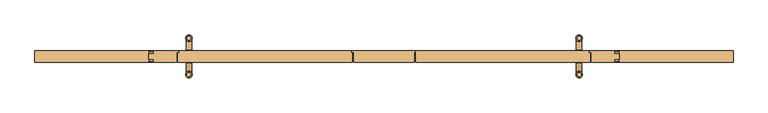
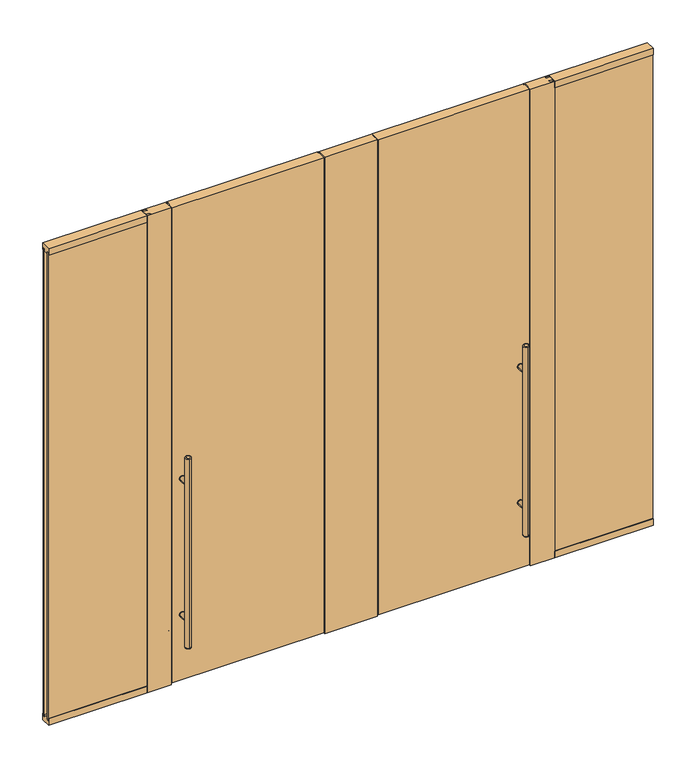
"""IFC4 building model written with IfcOpenShell, lengths in millimetres: door geometry."""

from ifc_helpers import new_model, si_unit, point, frame, frame_2d, origin, origin_with_axes, place, context, project, spatial, polyline, circle_curve, ellipse_curve, trimmed, segment, composite_curve, outline, extrude, faceted_brep, source, transform, mapped, element, save
from ifc_brep_helpers import plane_surface, cylinder_surface, revolved_surface, advanced_brep


def door_2f384575(model_context):
    return source(origin(), model_context, "Body", "SolidModel", [
        extrude(outline(composite_curve([segment(trimmed(circle_curve(frame_2d((428.625, 1022.35)), 15.875), [point((428.625, 1038.225))], [point((428.625, 1006.475))], False, "CARTESIAN"), True, "CONTINUOUS"), segment(trimmed(circle_curve(frame_2d((428.625, 1022.35)), 15.875), [point((428.625, 1006.475))], [point((428.625, 1038.225))], False, "CARTESIAN"), True, "CONTINUOUS")], self_intersect=False)), frame((0.0, 30.1625, 0.0), z_axis=(0.0, 1.0, 0.0), x_axis=(0.0, 0.0, 1.0)), (0.0, 0.0, 1.0), 3.175),
        extrude(outline(composite_curve([segment(trimmed(circle_curve(frame_2d((1298.575, 1022.35)), 15.875), [point((1298.575, 1006.475))], [point((1298.575, 1038.225))], False, "CARTESIAN"), True, "CONTINUOUS"), segment(trimmed(circle_curve(frame_2d((1298.575, 1022.35)), 15.875), [point((1298.575, 1038.225))], [point((1298.575, 1006.475))], False, "CARTESIAN"), True, "CONTINUOUS")], self_intersect=False)), frame((0.0, 30.1625, 0.0), z_axis=(0.0, 1.0, 0.0), x_axis=(0.0, 0.0, 1.0)), (0.0, 0.0, 1.0), 3.175),
        extrude(outline(composite_curve([segment(trimmed(circle_curve(frame_2d((428.625, 1022.35)), 15.875), [point((428.625, 1038.225))], [point((428.625, 1006.475))], False, "CARTESIAN"), True, "CONTINUOUS"), segment(trimmed(circle_curve(frame_2d((428.625, 1022.35)), 15.875), [point((428.625, 1006.475))], [point((428.625, 1038.225))], False, "CARTESIAN"), True, "CONTINUOUS")], self_intersect=False)), frame((0.0, -33.3375, 0.0), z_axis=(0.0, 1.0, 0.0), x_axis=(0.0, 0.0, 1.0)), (0.0, 0.0, 1.0), 3.175),
        extrude(outline(composite_curve([segment(trimmed(circle_curve(frame_2d((1298.575, 1022.35)), 15.875), [point((1298.575, 1038.225))], [point((1298.575, 1006.475))], False, "CARTESIAN"), True, "CONTINUOUS"), segment(trimmed(circle_curve(frame_2d((1298.575, 1022.35)), 15.875), [point((1298.575, 1006.475))], [point((1298.575, 1038.225))], False, "CARTESIAN"), True, "CONTINUOUS")], self_intersect=False)), frame((0.0, -33.3375, 0.0), z_axis=(0.0, 1.0, 0.0), x_axis=(0.0, 0.0, 1.0)), (0.0, 0.0, 1.0), 3.175),
        extrude(outline(composite_curve([segment(trimmed(circle_curve(frame_2d((428.625, 1022.35)), 14.2875), [point((428.625, 1008.0625))], [point((428.625, 1036.6375))], False, "CARTESIAN"), True, "CONTINUOUS"), segment(trimmed(circle_curve(frame_2d((428.625, 1022.35)), 14.2875), [point((428.625, 1036.6375))], [point((428.625, 1008.0625))], False, "CARTESIAN"), True, "CONTINUOUS")], self_intersect=False)), frame((0.0, -95.25, 0.0), z_axis=(0.0, 1.0, 0.0), x_axis=(0.0, 0.0, 1.0)), (0.0, 0.0, 1.0), 65.0875),
        extrude(outline(composite_curve([segment(trimmed(circle_curve(frame_2d((1298.575, 1022.35)), 14.2875), [point((1298.575, 1008.0625))], [point((1298.575, 1036.6375))], False, "CARTESIAN"), True, "CONTINUOUS"), segment(trimmed(circle_curve(frame_2d((1298.575, 1022.35)), 14.2875), [point((1298.575, 1036.6375))], [point((1298.575, 1008.0625))], False, "CARTESIAN"), True, "CONTINUOUS")], self_intersect=False)), frame((0.0, -95.25, 0.0), z_axis=(0.0, 1.0, 0.0), x_axis=(0.0, 0.0, 1.0)), (0.0, 0.0, 1.0), 65.0875),
        advanced_brep(
        [(1022.35, 84.455, 1473.2), (1022.35, 106.045, 1473.2), (1022.35, 106.045, 254.0), (1022.35, 84.455, 254.0), (1022.35, 112.395, 260.35), (1022.35, 78.105, 260.35), (1022.35, 78.105, 1466.85), (1022.35, 112.395, 1466.85)],
        [
            (0, 1, circle_curve(frame((1022.35, 95.25, 1473.2), z_axis=(0.0, 0.0, 1.0), x_axis=(0.0, -1.0, 0.0)), 10.795)),
            (1, 0, circle_curve(frame((1022.35, 95.25, 1473.2), z_axis=(0.0, 0.0, 1.0), x_axis=(0.0, -1.0, 0.0)), 10.795)),
            (2, 3, circle_curve(frame((1022.35, 95.25, 254.0), z_axis=(0.0, 0.0, -1.0), x_axis=(0.0, -1.0, 0.0)), 10.795)),
            (3, 2, circle_curve(frame((1022.35, 95.25, 254.0), z_axis=(0.0, 0.0, -1.0), x_axis=(0.0, -1.0, 0.0)), 10.795)),
            (4, 5, circle_curve(frame((1022.35, 95.25, 260.35), z_axis=(0.0, 0.0, 1.0), x_axis=(0.0, -1.0, 0.0)), 17.145)),
            (5, 6),
            (6, 7, circle_curve(frame((1022.35, 95.25, 1466.85), z_axis=(0.0, 0.0, -1.0), x_axis=(0.0, -1.0, 0.0)), 17.145)),
            (7, 4),
            (5, 4, circle_curve(frame((1022.35, 95.25, 260.35), z_axis=(0.0, 0.0, 1.0), x_axis=(0.0, -1.0, 0.0)), 17.145)),
            (7, 6, circle_curve(frame((1022.35, 95.25, 1466.85), z_axis=(0.0, 0.0, -1.0), x_axis=(0.0, -1.0, 0.0)), 17.145)),
            (2, 4, circle_curve(frame((1022.35, 106.045, 260.35), z_axis=(1.0, 0.0, 0.0), x_axis=(0.0, 1.0, 0.0)), 6.35)),
            (5, 3, circle_curve(frame((1022.35, 84.455, 260.35), z_axis=(1.0, 0.0, 0.0), x_axis=(0.0, -1.0, 0.0)), 6.35)),
            (7, 1, circle_curve(frame((1022.35, 106.045, 1466.85), z_axis=(1.0, 0.0, 0.0), x_axis=(0.0, 1.0, 0.0)), 6.35)),
            (0, 6, circle_curve(frame((1022.35, 84.455, 1466.85), z_axis=(1.0, 0.0, 0.0), x_axis=(0.0, -1.0, 0.0)), 6.35)),
        ],
        [
            plane_surface(frame((1022.35, -112.395, 1473.2), z_axis=(0.0, 0.0, 1.0), x_axis=(1.0, 0.0, 0.0))),
            plane_surface(frame((1022.35, -112.395, 254.0), z_axis=(0.0, 0.0, -1.0), x_axis=(-1.0, 0.0, 0.0))),
            cylinder_surface(frame((1022.35, 95.25, 254.0), z_axis=(0.0, 0.0, 1.0), x_axis=(0.0, -1.0, 0.0)), 17.145),
            revolved_surface(trimmed(ellipse_curve(frame((1022.35, 84.455, 260.35), z_axis=(-1.0, 0.0, 0.0), x_axis=(0.0, -1.0, 0.0)), 6.35, 6.35), [point((1022.35, 84.455, 254.0))], [point((1022.35, 78.105, 260.35))], True, "CARTESIAN"), (1022.35, 95.25, 2082.8), (0.0, 0.0, 1.0)),
            revolved_surface(trimmed(ellipse_curve(frame((1022.35, 84.455, 1466.85), z_axis=(-1.0, 0.0, 0.0), x_axis=(0.0, -1.0, 0.0)), 6.35, 6.35), [point((1022.35, 78.105, 1466.85))], [point((1022.35, 84.455, 1473.2))], True, "CARTESIAN"), (1022.35, 95.25, -355.6), (0.0, 0.0, 1.0)),
        ],
        [
            (0, [[1, 2]]),
            (1, [[3, 4]]),
            (2, [[5, 6, 7, 8]]),
            (2, [[9, -8, 10, -6]]),
            (3, [[11, -9, 12, -3]]),
            (3, [[-11, -4, -12, -5]]),
            (4, [[13, -1, 14, -10]]),
            (4, [[-13, -7, -14, -2]]),
        ],
    ),
        advanced_brep(
        [(1022.35, -106.045, 1473.2), (1022.35, -84.455, 1473.2), (1022.35, -84.455, 254.0), (1022.35, -106.045, 254.0), (1022.35, -78.105, 260.35), (1022.35, -112.395, 260.35), (1022.35, -112.395, 1466.85), (1022.35, -78.105, 1466.85)],
        [
            (0, 1, circle_curve(frame((1022.35, -95.25, 1473.2), z_axis=(0.0, 0.0, 1.0), x_axis=(0.0, 1.0, 0.0)), 10.795)),
            (1, 0, circle_curve(frame((1022.35, -95.25, 1473.2), z_axis=(0.0, 0.0, 1.0), x_axis=(0.0, 1.0, 0.0)), 10.795)),
            (2, 3, circle_curve(frame((1022.35, -95.25, 254.0), z_axis=(0.0, 0.0, -1.0), x_axis=(0.0, 1.0, 0.0)), 10.795)),
            (3, 2, circle_curve(frame((1022.35, -95.25, 254.0), z_axis=(0.0, 0.0, -1.0), x_axis=(0.0, 1.0, 0.0)), 10.795)),
            (4, 5, circle_curve(frame((1022.35, -95.25, 260.35), z_axis=(0.0, 0.0, 1.0), x_axis=(0.0, -1.0, 0.0)), 17.145)),
            (5, 6),
            (6, 7, circle_curve(frame((1022.35, -95.25, 1466.85), z_axis=(0.0, 0.0, -1.0), x_axis=(0.0, -1.0, 0.0)), 17.145)),
            (7, 4),
            (5, 4, circle_curve(frame((1022.35, -95.25, 260.35), z_axis=(0.0, 0.0, 1.0), x_axis=(0.0, -1.0, 0.0)), 17.145)),
            (7, 6, circle_curve(frame((1022.35, -95.25, 1466.85), z_axis=(0.0, 0.0, -1.0), x_axis=(0.0, -1.0, 0.0)), 17.145)),
            (5, 3, circle_curve(frame((1022.35, -106.045, 260.35), z_axis=(1.0, 0.0, 0.0), x_axis=(0.0, -1.0, 0.0)), 6.35)),
            (2, 4, circle_curve(frame((1022.35, -84.455, 260.35), z_axis=(1.0, 0.0, 0.0), x_axis=(0.0, 1.0, 0.0)), 6.35)),
            (0, 6, circle_curve(frame((1022.35, -106.045, 1466.85), z_axis=(1.0, 0.0, 0.0), x_axis=(0.0, -1.0, 0.0)), 6.35)),
            (7, 1, circle_curve(frame((1022.35, -84.455, 1466.85), z_axis=(1.0, 0.0, 0.0), x_axis=(0.0, 1.0, 0.0)), 6.35)),
        ],
        [
            plane_surface(frame((1022.35, -112.395, 1473.2), z_axis=(0.0, 0.0, 1.0), x_axis=(1.0, 0.0, 0.0))),
            plane_surface(frame((1022.35, -112.395, 254.0), z_axis=(0.0, 0.0, -1.0), x_axis=(-1.0, 0.0, 0.0))),
            cylinder_surface(frame((1022.35, -95.25, 254.0), z_axis=(0.0, 0.0, 1.0), x_axis=(0.0, -1.0, 0.0)), 17.145),
            revolved_surface(trimmed(ellipse_curve(frame((1022.35, -84.455, 260.35), z_axis=(-1.0, 0.0, 0.0), x_axis=(0.0, 1.0, 0.0)), 6.35, 6.35), [point((1022.35, -78.105, 260.35))], [point((1022.35, -84.455, 254.0))], True, "CARTESIAN"), (1022.35, -95.25, 2082.8), (0.0, 0.0, -1.0)),
            revolved_surface(trimmed(ellipse_curve(frame((1022.35, -84.455, 1466.85), z_axis=(-1.0, 0.0, 0.0), x_axis=(0.0, 1.0, 0.0)), 6.35, 6.35), [point((1022.35, -84.455, 1473.2))], [point((1022.35, -78.105, 1466.85))], True, "CARTESIAN"), (1022.35, -95.25, -355.6), (0.0, 0.0, -1.0)),
        ],
        [
            (0, [[1, 2]]),
            (1, [[3, 4]]),
            (2, [[5, 6, 7, 8]]),
            (2, [[9, -8, 10, -6]]),
            (3, [[11, -3, 12, -9]]),
            (3, [[-11, -5, -12, -4]]),
            (4, [[13, -10, 14, -1]]),
            (4, [[-13, -2, -14, -7]]),
        ],
    ),
        extrude(outline(composite_curve([segment(trimmed(circle_curve(frame_2d((428.625, 1022.35)), 14.2875), [point((428.625, 1008.0625))], [point((428.625, 1036.6375))], False, "CARTESIAN"), True, "CONTINUOUS"), segment(trimmed(circle_curve(frame_2d((428.625, 1022.35)), 14.2875), [point((428.625, 1036.6375))], [point((428.625, 1008.0625))], False, "CARTESIAN"), True, "CONTINUOUS")], self_intersect=False)), frame((0.0, 30.1625, 0.0), z_axis=(0.0, 1.0, 0.0), x_axis=(0.0, 0.0, 1.0)), (0.0, 0.0, 1.0), 65.0875),
        extrude(outline(composite_curve([segment(trimmed(circle_curve(frame_2d((1298.575, 1022.35)), 14.2875), [point((1298.575, 1008.0625))], [point((1298.575, 1036.6375))], False, "CARTESIAN"), True, "CONTINUOUS"), segment(trimmed(circle_curve(frame_2d((1298.575, 1022.35)), 14.2875), [point((1298.575, 1036.6375))], [point((1298.575, 1008.0625))], False, "CARTESIAN"), True, "CONTINUOUS")], self_intersect=False)), frame((0.0, 30.1625, 0.0), z_axis=(0.0, 1.0, 0.0), x_axis=(0.0, 0.0, 1.0)), (0.0, 0.0, 1.0), 65.0875),
        extrude(outline(composite_curve([segment(trimmed(circle_curve(frame_2d((428.625, -1022.35)), 15.875), [point((428.625, -1038.225))], [point((428.625, -1006.475))], False, "CARTESIAN"), True, "CONTINUOUS"), segment(trimmed(circle_curve(frame_2d((428.625, -1022.35)), 15.875), [point((428.625, -1006.475))], [point((428.625, -1038.225))], False, "CARTESIAN"), True, "CONTINUOUS")], self_intersect=False)), frame((0.0, 30.1625, 0.0), z_axis=(0.0, 1.0, 0.0), x_axis=(0.0, 0.0, 1.0)), (0.0, 0.0, 1.0), 3.175),
        extrude(outline(composite_curve([segment(trimmed(circle_curve(frame_2d((1298.575, -1022.35)), 15.875), [point((1298.575, -1006.475))], [point((1298.575, -1038.225))], False, "CARTESIAN"), True, "CONTINUOUS"), segment(trimmed(circle_curve(frame_2d((1298.575, -1022.35)), 15.875), [point((1298.575, -1038.225))], [point((1298.575, -1006.475))], False, "CARTESIAN"), True, "CONTINUOUS")], self_intersect=False)), frame((0.0, 30.1625, 0.0), z_axis=(0.0, 1.0, 0.0), x_axis=(0.0, 0.0, 1.0)), (0.0, 0.0, 1.0), 3.175),
        extrude(outline(composite_curve([segment(trimmed(circle_curve(frame_2d((428.625, -1022.35)), 15.875), [point((428.625, -1038.225))], [point((428.625, -1006.475))], False, "CARTESIAN"), True, "CONTINUOUS"), segment(trimmed(circle_curve(frame_2d((428.625, -1022.35)), 15.875), [point((428.625, -1006.475))], [point((428.625, -1038.225))], False, "CARTESIAN"), True, "CONTINUOUS")], self_intersect=False)), frame((0.0, -33.3375, 0.0), z_axis=(0.0, 1.0, 0.0), x_axis=(0.0, 0.0, 1.0)), (0.0, 0.0, 1.0), 3.175),
        extrude(outline(composite_curve([segment(trimmed(circle_curve(frame_2d((1298.575, -1022.35)), 15.875), [point((1298.575, -1038.225))], [point((1298.575, -1006.475))], False, "CARTESIAN"), True, "CONTINUOUS"), segment(trimmed(circle_curve(frame_2d((1298.575, -1022.35)), 15.875), [point((1298.575, -1006.475))], [point((1298.575, -1038.225))], False, "CARTESIAN"), True, "CONTINUOUS")], self_intersect=False)), frame((0.0, -33.3375, 0.0), z_axis=(0.0, 1.0, 0.0), x_axis=(0.0, 0.0, 1.0)), (0.0, 0.0, 1.0), 3.175),
        extrude(outline(composite_curve([segment(trimmed(circle_curve(frame_2d((428.625, -1022.35)), 14.2875), [point((428.625, -1008.0625))], [point((428.625, -1036.6375))], False, "CARTESIAN"), True, "CONTINUOUS"), segment(trimmed(circle_curve(frame_2d((428.625, -1022.35)), 14.2875), [point((428.625, -1036.6375))], [point((428.625, -1008.0625))], False, "CARTESIAN"), True, "CONTINUOUS")], self_intersect=False)), frame((0.0, -95.25, 0.0), z_axis=(0.0, 1.0, 0.0), x_axis=(0.0, 0.0, 1.0)), (0.0, 0.0, 1.0), 65.0875),
        extrude(outline(composite_curve([segment(trimmed(circle_curve(frame_2d((1298.575, -1022.35)), 14.2875), [point((1298.575, -1008.0625))], [point((1298.575, -1036.6375))], False, "CARTESIAN"), True, "CONTINUOUS"), segment(trimmed(circle_curve(frame_2d((1298.575, -1022.35)), 14.2875), [point((1298.575, -1036.6375))], [point((1298.575, -1008.0625))], False, "CARTESIAN"), True, "CONTINUOUS")], self_intersect=False)), frame((0.0, -95.25, 0.0), z_axis=(0.0, 1.0, 0.0), x_axis=(0.0, 0.0, 1.0)), (0.0, 0.0, 1.0), 65.0875),
        advanced_brep(
        [(-1022.35, 84.455, 1473.2), (-1022.35, 106.045, 1473.2), (-1022.35, 106.045, 254.0), (-1022.35, 84.455, 254.0), (-1022.35, 112.395, 260.35), (-1022.35, 112.395, 1466.85), (-1022.35, 78.105, 1466.85), (-1022.35, 78.105, 260.35)],
        [
            (0, 1, circle_curve(frame((-1022.35, 95.25, 1473.2), z_axis=(0.0, 0.0, 1.0), x_axis=(0.0, -1.0, 0.0)), 10.795)),
            (1, 0, circle_curve(frame((-1022.35, 95.25, 1473.2), z_axis=(0.0, 0.0, 1.0), x_axis=(0.0, -1.0, 0.0)), 10.795)),
            (2, 3, circle_curve(frame((-1022.35, 95.25, 254.0), z_axis=(0.0, 0.0, -1.0), x_axis=(0.0, -1.0, 0.0)), 10.795)),
            (3, 2, circle_curve(frame((-1022.35, 95.25, 254.0), z_axis=(0.0, 0.0, -1.0), x_axis=(0.0, -1.0, 0.0)), 10.795)),
            (4, 5),
            (5, 6, circle_curve(frame((-1022.35, 95.25, 1466.85), z_axis=(0.0, 0.0, -1.0), x_axis=(0.0, -1.0, 0.0)), 17.145)),
            (6, 7),
            (7, 4, circle_curve(frame((-1022.35, 95.25, 260.35), z_axis=(0.0, 0.0, 1.0), x_axis=(0.0, -1.0, 0.0)), 17.145)),
            (6, 5, circle_curve(frame((-1022.35, 95.25, 1466.85), z_axis=(0.0, 0.0, -1.0), x_axis=(0.0, -1.0, 0.0)), 17.145)),
            (4, 7, circle_curve(frame((-1022.35, 95.25, 260.35), z_axis=(0.0, 0.0, 1.0), x_axis=(0.0, -1.0, 0.0)), 17.145)),
            (3, 7, circle_curve(frame((-1022.35, 84.455, 260.35), z_axis=(-1.0, 0.0, 0.0), x_axis=(0.0, -1.0, 0.0)), 6.35)),
            (4, 2, circle_curve(frame((-1022.35, 106.045, 260.35), z_axis=(-1.0, 0.0, 0.0), x_axis=(0.0, 1.0, 0.0)), 6.35)),
            (6, 0, circle_curve(frame((-1022.35, 84.455, 1466.85), z_axis=(-1.0, 0.0, 0.0), x_axis=(0.0, -1.0, 0.0)), 6.35)),
            (1, 5, circle_curve(frame((-1022.35, 106.045, 1466.85), z_axis=(-1.0, 0.0, 0.0), x_axis=(0.0, 1.0, 0.0)), 6.35)),
        ],
        [
            plane_surface(frame((-1022.35, -112.395, 1473.2), z_axis=(0.0, 0.0, 1.0), x_axis=(-1.0, 0.0, 0.0))),
            plane_surface(frame((-1022.35, -112.395, 254.0), z_axis=(0.0, 0.0, -1.0), x_axis=(1.0, 0.0, 0.0))),
            cylinder_surface(frame((-1022.35, 95.25, 254.0), z_axis=(0.0, 0.0, 1.0), x_axis=(0.0, -1.0, 0.0)), 17.145),
            revolved_surface(trimmed(ellipse_curve(frame((-1022.35, 84.455, 260.35), z_axis=(-1.0, 0.0, 0.0), x_axis=(0.0, -1.0, 0.0)), 6.35, 6.35), [point((-1022.35, 84.455, 254.0))], [point((-1022.35, 78.105, 260.35))], True, "CARTESIAN"), (-1022.35, 95.25, 2082.8), (0.0, 0.0, 1.0)),
            revolved_surface(trimmed(ellipse_curve(frame((-1022.35, 84.455, 1466.85), z_axis=(-1.0, 0.0, 0.0), x_axis=(0.0, -1.0, 0.0)), 6.35, 6.35), [point((-1022.35, 78.105, 1466.85))], [point((-1022.35, 84.455, 1473.2))], True, "CARTESIAN"), (-1022.35, 95.25, -355.6), (0.0, 0.0, 1.0)),
        ],
        [
            (0, [[1, 2]]),
            (1, [[3, 4]]),
            (2, [[5, 6, 7, 8]]),
            (2, [[-7, 9, -5, 10]]),
            (3, [[-4, 11, -10, 12]]),
            (3, [[-8, -11, -3, -12]]),
            (4, [[-9, 13, -2, 14]]),
            (4, [[-1, -13, -6, -14]]),
        ],
    ),
        advanced_brep(
        [(-1022.35, -106.045, 1473.2), (-1022.35, -84.455, 1473.2), (-1022.35, -84.455, 254.0), (-1022.35, -106.045, 254.0), (-1022.35, -78.105, 260.35), (-1022.35, -78.105, 1466.85), (-1022.35, -112.395, 1466.85), (-1022.35, -112.395, 260.35)],
        [
            (0, 1, circle_curve(frame((-1022.35, -95.25, 1473.2), z_axis=(0.0, 0.0, 1.0), x_axis=(0.0, 1.0, 0.0)), 10.795)),
            (1, 0, circle_curve(frame((-1022.35, -95.25, 1473.2), z_axis=(0.0, 0.0, 1.0), x_axis=(0.0, 1.0, 0.0)), 10.795)),
            (2, 3, circle_curve(frame((-1022.35, -95.25, 254.0), z_axis=(0.0, 0.0, -1.0), x_axis=(0.0, 1.0, 0.0)), 10.795)),
            (3, 2, circle_curve(frame((-1022.35, -95.25, 254.0), z_axis=(0.0, 0.0, -1.0), x_axis=(0.0, 1.0, 0.0)), 10.795)),
            (4, 5),
            (5, 6, circle_curve(frame((-1022.35, -95.25, 1466.85), z_axis=(0.0, 0.0, -1.0), x_axis=(0.0, -1.0, 0.0)), 17.145)),
            (6, 7),
            (7, 4, circle_curve(frame((-1022.35, -95.25, 260.35), z_axis=(0.0, 0.0, 1.0), x_axis=(0.0, -1.0, 0.0)), 17.145)),
            (6, 5, circle_curve(frame((-1022.35, -95.25, 1466.85), z_axis=(0.0, 0.0, -1.0), x_axis=(0.0, -1.0, 0.0)), 17.145)),
            (4, 7, circle_curve(frame((-1022.35, -95.25, 260.35), z_axis=(0.0, 0.0, 1.0), x_axis=(0.0, -1.0, 0.0)), 17.145)),
            (4, 2, circle_curve(frame((-1022.35, -84.455, 260.35), z_axis=(-1.0, 0.0, 0.0), x_axis=(0.0, 1.0, 0.0)), 6.35)),
            (3, 7, circle_curve(frame((-1022.35, -106.045, 260.35), z_axis=(-1.0, 0.0, 0.0), x_axis=(0.0, -1.0, 0.0)), 6.35)),
            (1, 5, circle_curve(frame((-1022.35, -84.455, 1466.85), z_axis=(-1.0, 0.0, 0.0), x_axis=(0.0, 1.0, 0.0)), 6.35)),
            (6, 0, circle_curve(frame((-1022.35, -106.045, 1466.85), z_axis=(-1.0, 0.0, 0.0), x_axis=(0.0, -1.0, 0.0)), 6.35)),
        ],
        [
            plane_surface(frame((-1022.35, -112.395, 1473.2), z_axis=(0.0, 0.0, 1.0), x_axis=(-1.0, 0.0, 0.0))),
            plane_surface(frame((-1022.35, -112.395, 254.0), z_axis=(0.0, 0.0, -1.0), x_axis=(1.0, 0.0, 0.0))),
            cylinder_surface(frame((-1022.35, -95.25, 254.0), z_axis=(0.0, 0.0, 1.0), x_axis=(0.0, -1.0, 0.0)), 17.145),
            revolved_surface(trimmed(ellipse_curve(frame((-1022.35, -84.455, 260.35), z_axis=(-1.0, 0.0, 0.0), x_axis=(0.0, 1.0, 0.0)), 6.35, 6.35), [point((-1022.35, -78.105, 260.35))], [point((-1022.35, -84.455, 254.0))], True, "CARTESIAN"), (-1022.35, -95.25, 2082.8), (0.0, 0.0, -1.0)),
            revolved_surface(trimmed(ellipse_curve(frame((-1022.35, -84.455, 1466.85), z_axis=(-1.0, 0.0, 0.0), x_axis=(0.0, 1.0, 0.0)), 6.35, 6.35), [point((-1022.35, -84.455, 1473.2))], [point((-1022.35, -78.105, 1466.85))], True, "CARTESIAN"), (-1022.35, -95.25, -355.6), (0.0, 0.0, -1.0)),
        ],
        [
            (0, [[1, 2]]),
            (1, [[3, 4]]),
            (2, [[5, 6, 7, 8]]),
            (2, [[-7, 9, -5, 10]]),
            (3, [[-10, 11, -4, 12]]),
            (3, [[-3, -11, -8, -12]]),
            (4, [[-2, 13, -9, 14]]),
            (4, [[-6, -13, -1, -14]]),
        ],
    ),
        extrude(outline(composite_curve([segment(trimmed(circle_curve(frame_2d((428.625, -1022.35)), 14.2875), [point((428.625, -1008.0625))], [point((428.625, -1036.6375))], False, "CARTESIAN"), True, "CONTINUOUS"), segment(trimmed(circle_curve(frame_2d((428.625, -1022.35)), 14.2875), [point((428.625, -1036.6375))], [point((428.625, -1008.0625))], False, "CARTESIAN"), True, "CONTINUOUS")], self_intersect=False)), frame((0.0, 30.1625, 0.0), z_axis=(0.0, 1.0, 0.0), x_axis=(0.0, 0.0, 1.0)), (0.0, 0.0, 1.0), 65.0875),
        extrude(outline(composite_curve([segment(trimmed(circle_curve(frame_2d((1298.575, -1022.35)), 14.2875), [point((1298.575, -1008.0625))], [point((1298.575, -1036.6375))], False, "CARTESIAN"), True, "CONTINUOUS"), segment(trimmed(circle_curve(frame_2d((1298.575, -1022.35)), 14.2875), [point((1298.575, -1036.6375))], [point((1298.575, -1008.0625))], False, "CARTESIAN"), True, "CONTINUOUS")], self_intersect=False)), frame((0.0, 30.1625, 0.0), z_axis=(0.0, 1.0, 0.0), x_axis=(0.0, 0.0, 1.0)), (0.0, 0.0, 1.0), 65.0875),
        extrude(outline(polyline([(-1828.8, -14.2875), (-1206.5, -14.2875), (-1206.5, -26.9875), (-1828.8, -26.9875), (-1828.8, -14.2875)])), frame((0.0, 0.0, 28.575), z_axis=(0.0, 0.0, 1.0), x_axis=(1.0, 0.0, 0.0)), (0.0, 0.0, 1.0), 2990.85),
        extrude(outline(polyline([(1828.8, -14.2875), (1828.8, -26.9875), (1206.5, -26.9875), (1206.5, -14.2875), (1828.8, -14.2875)])), frame((0.0, 0.0, 28.575), z_axis=(0.0, 0.0, 1.0), x_axis=(1.0, 0.0, 0.0)), (0.0, 0.0, 1.0), 2990.85),
        faceted_brep([(1231.9, -26.9875, 0.0), (1231.9, -30.1625, 0.0), (1085.85, -30.1625, 0.0), (1085.85, 20.6375, 0.0), (1076.325, 20.6375, 0.0), (1076.325, 30.1625, 0.0), (1231.9, 30.1625, 0.0), (1231.9, 26.9875, 0.0), (1206.5, 26.9875, 0.0), (1206.5, 14.2875, 0.0), (1231.9, 14.2875, 0.0), (1231.9, -14.2875, 0.0), (1206.5, -14.2875, 0.0), (1206.5, -26.9875, 0.0), (1231.9, -26.9875, 3048.0), (1206.5, -26.9875, 3048.0), (1206.5, -14.2875, 3048.0), (1231.9, -14.2875, 3048.0), (1231.9, 14.2875, 3048.0), (1206.5, 14.2875, 3048.0), (1206.5, 26.9875, 3048.0), (1231.9, 26.9875, 3048.0), (1231.9, 30.1625, 3048.0), (1076.325, 30.1625, 3006.725), (1079.5, 30.1625, 3006.725), (1079.5, 30.1625, 3009.9), (1076.325, 30.1625, 3009.9), (1076.325, 30.1625, 3048.0), (1076.325, 20.6375, 3006.725), (1076.325, 20.6375, 3009.9), (1076.325, 20.6375, 3048.0), (1079.5, 20.6375, 3009.9), (1079.5, 20.6375, 3006.725), (1085.85, 20.6375, 3048.0), (1085.85, -30.1625, 3048.0), (1231.9, -30.1625, 3048.0)], [[[0, 1, 2, 3, 4, 5, 6, 7, 8, 9, 10, 11, 12, 13]], [[14, 0, 13, 15]], [[15, 13, 12, 16]], [[16, 12, 11, 17]], [[17, 11, 10, 18]], [[18, 10, 9, 19]], [[19, 9, 8, 20]], [[20, 8, 7, 21]], [[21, 7, 6, 22]], [[22, 6, 5, 23, 24, 25, 26, 27]], [[4, 28, 23, 5]], [[27, 26, 29, 30]], [[30, 29, 31, 32, 28, 4, 3, 33]], [[33, 3, 2, 34]], [[34, 2, 1, 35]], [[35, 1, 0, 14]], [[14, 15, 16, 17, 18, 19, 20, 21, 22, 27, 30, 33, 34, 35]], [[31, 29, 26, 25]], [[32, 31, 25, 24]], [[24, 23, 28, 32]]]),
        faceted_brep([(165.1, 17.4625, 3009.9), (165.1, 17.4625, 3019.425), (165.1, 14.2875, 3019.425), (165.1, 14.2875, 3006.725), (165.1, 17.4625, 3006.725), (165.1, 17.4625, 9.525), (165.1, -30.1625, 9.525), (165.1, -30.1625, 3048.0), (165.1, 30.1625, 3048.0), (165.1, 30.1625, 3009.9), (1079.5, -30.1625, 9.525), (1079.5, -30.1625, 3048.0), (174.625, 30.1625, 9.525), (1069.975, 30.1625, 9.525), (1069.975, 17.4625, 9.525), (1079.5, 17.4625, 9.525), (174.625, 17.4625, 9.525), (174.625, 17.4625, 3006.725), (1079.5, 30.1625, 3048.0), (1079.5, 17.4625, 3006.725), (1079.5, 14.2875, 3006.725), (1079.5, 14.2875, 3019.425), (1079.5, 17.4625, 3019.425), (1079.5, 17.4625, 3009.9), (1079.5, 30.1625, 3009.9), (1069.975, 17.4625, 3006.725), (174.625, 30.1625, 3006.725), (1069.975, 30.1625, 3006.725)], [[[0, 1, 2, 3, 4, 5, 6, 7, 8, 9]], [[7, 6, 10, 11]], [[12, 13, 14, 15, 10, 6, 5, 16]], [[5, 4, 17, 16]], [[18, 11, 10, 15, 19, 20, 21, 22, 23, 24]], [[14, 25, 19, 15]], [[12, 26, 27, 13]], [[8, 18, 24, 9]], [[13, 27, 25, 14]], [[16, 17, 26, 12]], [[9, 24, 23, 0]], [[11, 18, 8, 7]], [[20, 19, 25, 27, 26, 17, 4, 3]], [[3, 2, 21, 20]], [[22, 21, 2, 1]], [[1, 0, 23, 22]]]),
        faceted_brep([(-168.275, 30.1625, 0.0), (168.275, 30.1625, 0.0), (168.275, 20.6375, 0.0), (158.75, 20.6375, 0.0), (158.75, -30.1625, 0.0), (-158.75, -30.1625, 0.0), (-158.75, 20.6375, 0.0), (-168.275, 20.6375, 0.0), (-168.275, 30.1625, 3048.0), (-168.275, 20.6375, 3048.0), (-158.75, 20.6375, 3048.0), (-158.75, -30.1625, 3048.0), (158.75, -30.1625, 3048.0), (158.75, 20.6375, 3048.0), (168.275, 20.6375, 3006.725), (165.1, 20.6375, 3006.725), (165.1, 20.6375, 3009.9), (168.275, 20.6375, 3009.9), (168.275, 20.6375, 3048.0), (168.275, 30.1625, 3006.725), (168.275, 30.1625, 3009.9), (168.275, 30.1625, 3048.0), (165.1, 30.1625, 3009.9), (165.1, 30.1625, 3006.725)], [[[0, 1, 2, 3, 4, 5, 6, 7]], [[8, 0, 7, 9]], [[9, 7, 6, 10]], [[10, 6, 5, 11]], [[11, 5, 4, 12]], [[12, 4, 3, 13]], [[13, 3, 2, 14, 15, 16, 17, 18]], [[1, 19, 14, 2]], [[18, 17, 20, 21]], [[21, 20, 22, 23, 19, 1, 0, 8]], [[8, 9, 10, 11, 12, 13, 18, 21]], [[15, 14, 19, 23]], [[16, 15, 23, 22]], [[22, 20, 17, 16]]]),
        extrude(outline(polyline([(-1231.9, 14.2875), (-1206.5, 14.2875), (-1206.5, 26.9875), (-1231.9, 26.9875), (-1231.9, 30.1625), (-1076.325, 30.1625), (-1076.325, 20.6375), (-1085.85, 20.6375), (-1085.85, -30.1625), (-1231.9, -30.1625), (-1231.9, -26.9875), (-1206.5, -26.9875), (-1206.5, -14.2875), (-1231.9, -14.2875), (-1231.9, 14.2875)])), origin_with_axes(), (0.0, 0.0, 1.0), 3048.0),
        faceted_brep([(-165.1, -30.1625, 3048.0), (-165.1, -30.1625, 9.525), (-165.1, 17.4625, 9.525), (-165.1, 17.4625, 3006.725), (-165.1, 14.2875, 3006.725), (-165.1, 14.2875, 3019.425), (-165.1, 17.4625, 3019.425), (-165.1, 17.4625, 3009.9), (-165.1, 30.1625, 3009.9), (-165.1, 30.1625, 3048.0), (-174.625, 17.4625, 9.525), (-174.625, 17.4625, 3006.725), (-174.625, 30.1625, 9.525), (-1079.5, -30.1625, 9.525), (-1079.5, 17.4625, 9.525), (-1069.975, 17.4625, 9.525), (-1069.975, 30.1625, 9.525), (-1079.5, -30.1625, 3048.0), (-1079.5, 17.4625, 3009.9), (-1079.5, 17.4625, 3019.425), (-1079.5, 14.2875, 3019.425), (-1079.5, 14.2875, 3006.725), (-1079.5, 17.4625, 3006.725), (-1079.5, 30.1625, 3048.0), (-1079.5, 30.1625, 3009.9), (-1069.975, 17.4625, 3006.725), (-1069.975, 30.1625, 3006.725), (-174.625, 30.1625, 3006.725)], [[[0, 1, 2, 3, 4, 5, 6, 7, 8, 9]], [[10, 11, 3, 2]], [[12, 10, 2, 1, 13, 14, 15, 16]], [[17, 13, 1, 0]], [[18, 19, 20, 21, 22, 14, 13, 17, 23, 24]], [[14, 22, 25, 15]], [[16, 26, 27, 12]], [[24, 23, 9, 8]], [[12, 27, 11, 10]], [[15, 25, 26, 16]], [[9, 23, 17, 0]], [[7, 18, 24, 8]], [[19, 18, 7, 6]], [[6, 5, 20, 19]], [[21, 20, 5, 4]], [[4, 3, 11, 27, 26, 25, 22, 21]]]),
        extrude(outline(polyline([(-1828.8, 14.2875), (-1828.8, 26.9875), (-1206.5, 26.9875), (-1206.5, 14.2875), (-1828.8, 14.2875)])), frame((0.0, 0.0, 28.575), z_axis=(0.0, 0.0, 1.0), x_axis=(1.0, 0.0, 0.0)), (0.0, 0.0, 1.0), 2990.85),
        extrude(outline(polyline([(1828.8, 14.2875), (1206.5, 14.2875), (1206.5, 26.9875), (1828.8, 26.9875), (1828.8, 14.2875)])), frame((0.0, 0.0, 28.575), z_axis=(0.0, 0.0, 1.0), x_axis=(1.0, 0.0, 0.0)), (0.0, 0.0, 1.0), 2990.85),
        extrude(outline(polyline([(-30.1625, 3048.0), (30.1625, 3048.0), (30.1625, 3006.725), (26.9875, 3006.725), (26.9875, 3019.425), (14.2875, 3019.425), (14.2875, 3006.725), (-14.2875, 3006.725), (-14.2875, 3019.425), (-26.9875, 3019.425), (-26.9875, 3006.725), (-30.1625, 3006.725), (-30.1625, 3048.0)])), frame((-1828.8, 0.0, 0.0), z_axis=(1.0, 0.0, 0.0), x_axis=(0.0, 1.0, 0.0)), (0.0, 0.0, 1.0), 596.9),
        extrude(outline(polyline([(-30.1625, 3048.0), (30.1625, 3048.0), (30.1625, 3006.725), (26.9875, 3006.725), (26.9875, 3019.425), (14.2875, 3019.425), (14.2875, 3006.725), (-14.2875, 3006.725), (-14.2875, 3019.425), (-26.9875, 3019.425), (-26.9875, 3006.725), (-30.1625, 3006.725), (-30.1625, 3048.0)])), frame((1231.9, 0.0, 0.0), z_axis=(1.0, 0.0, 0.0), x_axis=(0.0, 1.0, 0.0)), (0.0, 0.0, 1.0), 596.9),
        extrude(outline(polyline([(-30.1625, 0.0), (-30.1625, 41.275), (-26.9875, 41.275), (-26.9875, 28.575), (-14.2875, 28.575), (-14.2875, 41.275), (14.2875, 41.275), (14.2875, 28.575), (26.9875, 28.575), (26.9875, 41.275), (30.1625, 41.275), (30.1625, 0.0), (-30.1625, 0.0)])), frame((-1828.8, 0.0, 0.0), z_axis=(1.0, 0.0, 0.0), x_axis=(0.0, 1.0, 0.0)), (0.0, 0.0, 1.0), 596.9),
        extrude(outline(polyline([(-30.1625, 0.0), (-30.1625, 41.275), (-26.9875, 41.275), (-26.9875, 28.575), (-14.2875, 28.575), (-14.2875, 41.275), (14.2875, 41.275), (14.2875, 28.575), (26.9875, 28.575), (26.9875, 41.275), (30.1625, 41.275), (30.1625, 0.0), (-30.1625, 0.0)])), frame((1231.9, 0.0, 0.0), z_axis=(1.0, 0.0, 0.0), x_axis=(0.0, 1.0, 0.0)), (0.0, 0.0, 1.0), 596.9),
    ])


if __name__ == "__main__":
    model = new_model("IFC4")
    model_context = context("Model", 3, world=origin())
    ifc_project = project(units=[si_unit("LENGTHUNIT", "METRE", prefix="MILLI")], contexts=[model_context])
    site = spatial("IfcSite", under=ifc_project)
    building = spatial("IfcBuilding", under=site)
    placement = place(None, origin())
    door_shape = door_2f384575(model_context)
    element("IfcDoor", 1, at=placement, inside=building, context=model_context, shape_type="MappedRepresentation", body=[
        mapped(door_shape, transform((0.0, 0.0, 0.0), x_axis=(1.0, 0.0, 0.0), y_axis=(0.0, 1.0, 0.0), z_axis=(0.0, 0.0, 1.0))),
    ])
    save(model, "model.ifc")
